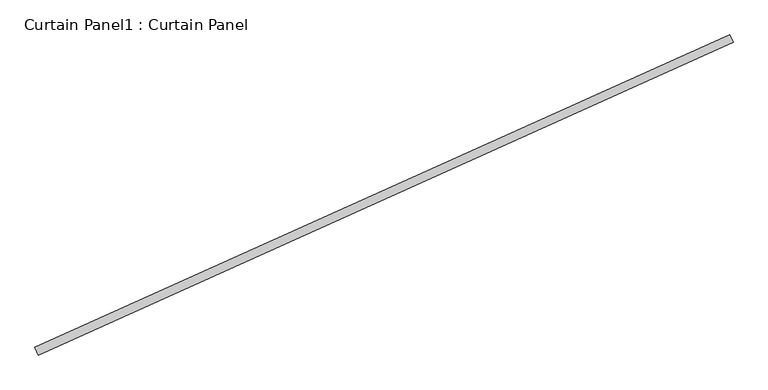
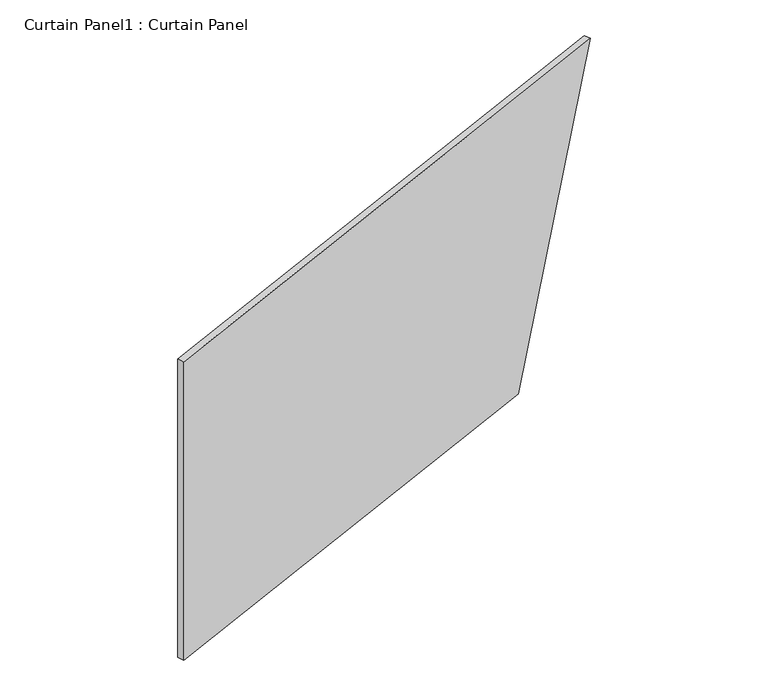
"""IFC4 building model written with IfcOpenShell, lengths in millimetres: plate geometry, Curtain Panel1 : Curtain Panel."""

from ifc_helpers import new_model, si_unit, frame, origin, place, context, project, spatial, polyline, outline, extrude, source, transform, mapped, element, save


def curtain_panel1_curtain_panel_743aa397(model_context):
    return source(origin(), model_context, "Body", "SweptSolid", [
        extrude(outline(polyline([(0.0, 0.0), (0.0, -1915.6129117), (-1219.2, -2327.1830512), (-1219.2, 0.0), (0.0, 0.0)])), frame((36554.9148186, -12837.5413049, 3657.6), z_axis=(-0.4102319712783583, 0.9119812112873117, 0.0), x_axis=(0.0, 0.0, -1.0)), (0.0, 0.0, 1.0), 25.4),
    ])


if __name__ == "__main__":
    model = new_model("IFC4")
    model_context = context("Model", 3, world=origin())
    ifc_project = project(units=[si_unit("LENGTHUNIT", "METRE", prefix="MILLI")], contexts=[model_context])
    site = spatial("IfcSite", under=ifc_project)
    building = spatial("IfcBuilding", under=site)
    placement = place(None, origin())
    curtain_panel1_curtain_panel_shape = curtain_panel1_curtain_panel_743aa397(model_context)
    element("IfcPlate", 1, ObjectType="Curtain Panel1 : Curtain Panel", at=placement, inside=building, context=model_context, shape_type="MappedRepresentation", body=[
        mapped(curtain_panel1_curtain_panel_shape, transform((0.0, 0.0, 0.0), x_axis=(1.0, 0.0, 0.0), y_axis=(0.0, 1.0, 0.0), z_axis=(0.0, 0.0, 1.0))),
    ])
    save(model, "model.ifc")
